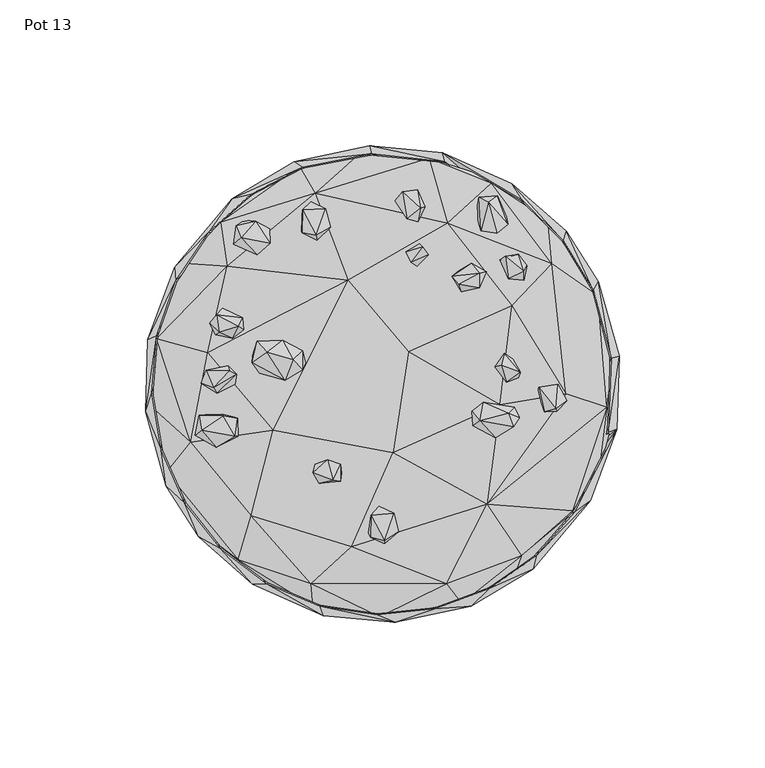
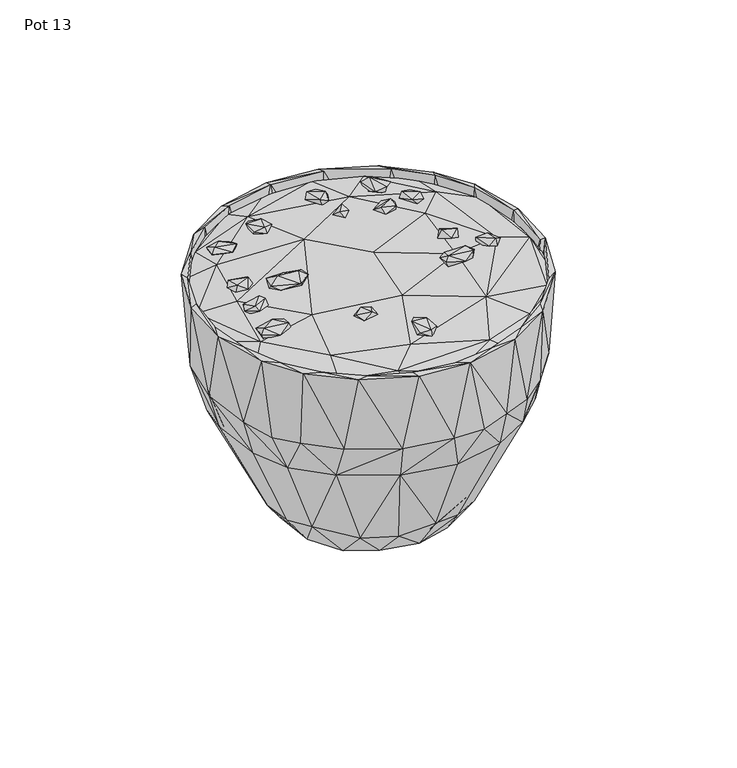
"""IFC4 building model written with IfcOpenShell, lengths in millimetres: furniture geometry, Pot 13."""

from ifc_helpers import new_model, si_unit, origin, place, context, project, spatial, triangles, source, transform, mapped, element, save


def pot_13_432720e4(model_context):
    return source(origin(), model_context, "Body", "Tessellation", [
        triangles([(-4.7759116, -50.9844425, 125.2264225), (0.6931424, -54.8188242, 124.7924736), (-4.1836203, -52.6856331, 127.0882183), (-1.1862517, -43.522507, 124.9454349), (0.8535981, -51.8610196, 123.6733105), (-3.891617, -45.0097345, 128.7604727), (0.7145405, -53.7772907, 127.7807996), (5.4999891, -50.669895, 126.1018959), (3.9100348, -44.4152077, 127.5477833), (-1.1731684, -41.9120947, 127.941046), (-19.3741013, -27.4992276, 126.4731578), (-23.223042, -27.6286461, 127.8852082), (-18.857747, -26.0830827, 129.8813345), (-14.4465859, -27.490153, 129.510763), (-21.7117675, -34.0999966, 128.6011801), (-14.0465195, -30.6324371, 127.1576999), (-64.3802727, -17.6379984, 125.8970392), (-62.1051618, -15.8201009, 127.628011), (-62.9993977, -10.7416954, 124.7079221), (-63.4265564, -17.7794993, 123.4110718), (-57.1468934, -21.7207808, 125.6662121), (-61.9142486, -13.962194, 122.0978707), (-51.8253296, -16.374499, 122.9418326), (-49.5602925, -17.9187804, 125.1219321), (-50.5190049, -17.9487909, 127.6536544), (-54.9956575, -10.023951, 123.2159892), (-49.7023759, -11.8294208, 125.8351698), (-54.8007021, -10.961756, 126.9376915), (32.1066681, -14.5334005, 126.8304761), (38.7802137, -18.4201295, 129.700141), (31.1503106, -14.4041773, 129.3271623), (44.2090339, -14.8309772, 127.4552472), (36.6465754, -10.2241341, 125.5550997), (35.0002051, -7.3944626, 126.4514749), (30.7884505, -9.296894, 128.724383), (45.3188998, -8.009702, 128.3304663), (34.7576736, -6.3169745, 128.6655657), (55.6999432, -9.5769318, 126.3992161), (53.6845911, -1.1093915, 126.65942), (53.2479898, -2.4766177, 124.0177935), (59.8642239, -9.3558135, 124.9789267), (59.5607767, -8.5410473, 128.599536), (58.9571617, -1.1684597, 123.5364638), (63.4178224, -5.6793539, 125.8533282), (60.2830664, -0.1707822, 126.3052265), (-62.2492436, 0.2626479, 126.9349755), (-59.3610842, 0.4184097, 124.5450869), (-56.8187521, -3.1768381, 127.2023011), (-60.3174847, 4.2613894, 124.9618038), (-58.0397259, -1.3272166, 129.2205646), (-60.5195618, 4.6705529, 127.4356263), (-52.9765493, 6.2163323, 125.847342), (-50.6868362, -0.0686347, 126.2876676), (-50.1287262, 3.2826513, 127.8230209), (-52.4965822, 4.6075733, 129.2967681), (44.880064, 8.560449, 126.7622844), (41.9701944, 10.4715299, 128.5435528), (47.3100256, 4.0020347, 130.6425889), (46.7154988, 2.1691621, 127.3039755), (38.5868571, 5.8678167, 127.4050958), (-36.4963256, 10.7533487, 126.6033188), (-31.7862184, 3.0996056, 128.6028879), (-44.6122887, 9.6821046, 127.2551231), (-26.4868144, 7.310644, 129.0972708), (-43.0488304, 14.6574822, 129.0648237), (-34.3536148, 14.9500515, 128.8331336), (-59.3576142, 20.7986828, 126.0749717), (-57.276414, 16.92763, 125.4121851), (-56.0517022, 17.7960772, 128.0117902), (-56.3739255, 22.5455761, 123.3861006), (-57.0350134, 23.7911123, 127.4086566), (-51.5236992, 15.7151597, 125.6580822), (-47.7073033, 18.5294672, 125.7462308), (-49.3619761, 19.8119516, 128.7538416), (-49.6730082, 23.4065269, 124.565498), (-48.0804455, 22.7734896, 126.9318779), (-54.8626487, 25.9156533, 125.3126817), (11.8284818, 40.4443609, 126.7021409), (8.0961287, 45.3093574, 126.6151186), (12.688816, 48.1661416, 125.0253174), (15.7271321, 44.288553, 126.8759493), (9.7498591, 41.8575241, 129.6286428), (26.2216326, 38.8866299, 126.5400959), (27.1849935, 31.6433992, 128.5826311), (23.8216814, 37.0527665, 128.9226994), (33.5052609, 33.991598, 127.5602735), (30.5829647, 41.4684808, 128.4517525), (35.682172, 38.4394142, 128.22425), (45.5419104, 35.9843747, 125.1407718), (49.5280316, 40.6218528, 125.4816667), (48.5303408, 35.6387267, 126.7741659), (43.2305326, 36.1305617, 127.8729451), (40.2937524, 42.618992, 125.8238151), (43.3013131, 43.6481034, 123.9294722), (48.5297458, 38.6104067, 128.7218486), (46.7048572, 44.5483755, 127.0752558), (-43.0027531, 44.4038667, 124.8884071), (-51.1498621, 48.0233133, 124.3158312), (-49.9628615, 51.2787922, 121.4011836), (-39.7630026, 47.8588929, 122.421888), (-38.5855309, 48.2289103, 125.7525985), (-48.5809464, 50.2206673, 126.1186736), (13.7470068, 47.1118227, 129.3750428), (42.1915971, 43.8113156, 128.1472743), (-50.3086752, 54.2232528, 124.2433066), (-47.3913842, 56.1937039, 122.1804692), (-43.5323265, 55.8195352, 124.2167911), (-38.8308148, 53.2008406, 123.8118649), (-27.9437613, 53.0510632, 123.385828), (-22.1752816, 51.909218, 122.8470437), (-22.5291254, 49.3203771, 124.6358063), (-24.2250861, 60.2671426, 121.7286708), (-27.6275719, 51.876462, 125.672925), (-27.4290443, 59.7307836, 125.4074615), (-22.8801373, 51.0724776, 127.2476654), (-17.8659255, 53.7435037, 125.4874894), (-19.527108, 60.1340021, 125.1127757), (33.8076952, 52.5980794, 125.4583033), (36.4513997, 62.3024108, 126.4059834), (33.1725777, 64.0461588, 124.216664), (38.322956, 52.143456, 123.3827396), (39.236009, 51.7869961, 126.7452705), (32.1839753, 58.3708603, 122.8905004), (42.6433092, 57.3844379, 123.9002498), (35.9490207, 63.2880201, 121.8497118), (43.0236139, 54.8982388, 126.1275302), (-24.576366, 62.5718166, 124.2051639), (9.2793999, 56.4471859, 124.607365), (4.3102503, 62.849157, 125.367702), (7.4607728, 65.3702468, 123.1871029), (12.1463539, 55.6326598, 126.5685371), (8.4683001, 56.6513613, 127.739414), (14.6034362, 60.8990035, 125.4893515), (13.0232876, 60.3864031, 128.2631194), (39.5454468, 64.6507458, 124.0913082), (6.865382, 65.974475, 126.815397), (12.0412413, 66.7235254, 125.937044), (-23.813933, -30.5049717, 130.0670245), (-17.0536931, -33.0335487, 131.0160582), (-14.3916304, -33.3703605, 128.9788369), (44.9521254, -14.7260872, 131.0900907), (33.4255102, -12.5860868, 131.0580796), (43.2511572, -10.1112276, 131.4584003), (46.9665509, -11.6536026, 129.0653324), (-33.4382365, 1.2736469, 130.8518967), (-44.7260899, 7.3153227, 129.888756), (-42.1619432, 3.6888345, 129.0395436), (-30.652494, 8.2915349, 132.6893844), (-39.6493831, 10.8231232, 131.7539673), (-27.4039505, 4.9527807, 131.808488), (42.5329507, 0.6740988, 129.0187691), (40.9047298, 6.4438058, 130.6792237), (-27.4299391, 11.4070844, 130.1395128), (26.2394844, 34.2679392, 131.0975848), (33.2275321, 32.9396954, 130.1187292), (33.3111276, 38.0059105, 130.9112499)], [[1, 2, 3], [1, 4, 5], [1, 5, 2], [1, 6, 4], [1, 3, 6], [2, 7, 3], [2, 8, 7], [2, 5, 8], [5, 4, 9], [5, 9, 8], [8, 9, 7], [4, 10, 9], [4, 6, 10], [11, 12, 13], [11, 13, 14], [11, 15, 12], [11, 16, 15], [11, 14, 16], [17, 18, 19], [17, 19, 20], [17, 20, 21], [17, 21, 18], [20, 19, 22], [20, 22, 23], [20, 23, 21], [21, 23, 24], [21, 25, 18], [21, 24, 25], [24, 26, 27], [24, 27, 25], [24, 23, 26], [19, 28, 26], [19, 18, 28], [19, 26, 22], [22, 26, 23], [28, 27, 26], [28, 25, 27], [28, 18, 25], [29, 30, 31], [29, 32, 30], [29, 33, 32], [29, 34, 33], [29, 35, 34], [29, 31, 35], [33, 34, 36], [33, 36, 32], [34, 35, 37], [34, 37, 36], [38, 39, 40], [38, 41, 42], [38, 40, 41], [38, 42, 39], [41, 40, 43], [41, 43, 44], [41, 44, 42], [44, 45, 42], [44, 43, 45], [46, 47, 48], [46, 49, 47], [46, 48, 50], [46, 50, 51], [46, 51, 49], [47, 49, 52], [47, 52, 53], [47, 53, 48], [53, 54, 48], [53, 52, 54], [40, 39, 43], [39, 45, 43], [39, 42, 45], [49, 51, 52], [52, 51, 55], [52, 55, 54], [56, 57, 58], [56, 58, 59], [56, 59, 60], [56, 60, 57], [61, 62, 63], [61, 64, 62], [61, 63, 65], [61, 65, 66], [61, 66, 64], [67, 68, 69], [67, 70, 68], [67, 69, 71], [67, 71, 70], [68, 72, 69], [68, 70, 72], [72, 73, 74], [72, 70, 75], [72, 75, 73], [72, 74, 69], [73, 76, 74], [73, 75, 76], [70, 77, 75], [70, 71, 77], [77, 76, 75], [77, 71, 76], [76, 71, 74], [78, 79, 80], [78, 80, 81], [78, 81, 82], [78, 82, 79], [83, 84, 85], [83, 86, 84], [83, 85, 87], [83, 88, 86], [83, 87, 88], [89, 90, 91], [89, 92, 93], [89, 93, 94], [89, 91, 92], [89, 94, 90], [91, 90, 95], [91, 95, 92], [90, 94, 96], [90, 96, 95], [97, 98, 99], [97, 99, 100], [97, 100, 101], [97, 102, 98], [97, 101, 102], [79, 103, 80], [79, 82, 103], [81, 103, 82], [81, 80, 103], [93, 92, 104], [93, 104, 96], [93, 96, 94], [98, 102, 105], [98, 105, 99], [99, 105, 106], [99, 106, 100], [102, 107, 105], [102, 101, 107], [100, 108, 101], [100, 106, 108], [108, 107, 101], [108, 106, 107], [109, 110, 111], [109, 112, 110], [109, 111, 113], [109, 114, 112], [109, 113, 114], [113, 111, 115], [113, 115, 114], [111, 110, 116], [111, 116, 115], [110, 112, 117], [110, 117, 116], [116, 117, 115], [118, 119, 120], [118, 121, 122], [118, 123, 121], [118, 120, 123], [118, 122, 119], [121, 124, 122], [121, 123, 125], [121, 125, 124], [122, 124, 126], [122, 126, 119], [105, 107, 106], [114, 117, 127], [114, 115, 117], [114, 127, 112], [112, 127, 117], [128, 129, 130], [128, 131, 132], [128, 133, 131], [128, 132, 129], [128, 130, 133], [131, 134, 132], [131, 133, 134], [123, 120, 125], [124, 135, 126], [124, 125, 135], [126, 135, 119], [129, 132, 136], [129, 136, 130], [136, 132, 134], [136, 134, 137], [136, 137, 130], [130, 137, 133], [137, 134, 133], [120, 135, 125], [120, 119, 135], [3, 7, 6], [7, 9, 6], [6, 9, 10], [138, 12, 15], [138, 15, 139], [138, 139, 13], [138, 13, 12], [15, 140, 139], [15, 16, 140], [139, 140, 14], [139, 14, 13], [140, 16, 14], [30, 32, 141], [30, 142, 31], [30, 141, 142], [31, 142, 35], [142, 141, 143], [142, 143, 37], [142, 37, 35], [143, 141, 144], [143, 36, 37], [143, 144, 36], [32, 36, 144], [32, 144, 141], [50, 48, 54], [50, 54, 55], [50, 55, 51], [145, 146, 147], [145, 148, 149], [145, 150, 148], [145, 149, 146], [145, 147, 62], [145, 62, 150], [151, 152, 60], [151, 59, 58], [151, 58, 152], [151, 60, 59], [146, 149, 65], [146, 63, 147], [146, 65, 63], [147, 63, 62], [62, 64, 150], [148, 150, 153], [148, 66, 149], [148, 153, 66], [150, 64, 153], [64, 66, 153], [60, 152, 57], [152, 58, 57], [65, 149, 66], [69, 74, 71], [154, 155, 156], [154, 84, 155], [154, 156, 85], [154, 85, 84], [84, 86, 155], [155, 88, 156], [155, 86, 88], [85, 156, 87], [156, 88, 87], [92, 95, 104], [95, 96, 104]]),
        triangles([(-24.4455646, -68.5578883, 123.6959109), (-23.8205187, -76.3289892, 121.8101702), (-1.0045171, -79.9296688, 121.8062551), (21.9387999, -68.4956011, 123.9018576), (-10.6487277, -55.8788794, 125.4324055), (-49.5413256, -60.2985451, 122.5608511), (-45.0553758, -45.2238748, 124.8956287), (-45.0530958, -66.021279, 120.6473597), (-16.630948, -76.7102977, 119.822946), (11.1766161, -75.9061271, 119.4929879), (-24.708421, -62.0606378, 117.9487598), (27.079999, -75.2181695, 121.8773536), (39.1882057, -67.5302167, 119.7878464), (11.7475092, -53.9789635, 116.9509556), (47.656775, -58.8891653, 123.1417023), (35.834402, -41.3411993, 125.5040945), (44.939667, -66.6215421, 121.2313538), (50.4503544, -48.1984298, 118.2790903), (65.4534675, -44.2177634, 120.3190003), (-62.5006999, -50.4642571, 120.9260036), (-65.8617911, -19.9875972, 124.2340503), (-74.0383405, -30.317113, 121.7115843), (-50.1127842, -44.6286667, 118.0312221), (-25.9764486, -36.6616998, 116.3050647), (3.5884679, -23.5941403, 126.8225187), (-37.4843036, -15.943214, 126.2916191), (3.6540926, -21.7494378, 115.5895288), (40.8946877, -31.7050211, 116.6629281), (65.2495329, -43.4886972, 122.6579837), (-72.7729063, -28.7022133, 119.7612219), (-76.2825713, -7.7684075, 119.4429637), (-40.9439943, -8.1611576, 116.2299422), (77.1426841, -7.9993011, 122.7252579), (40.3779723, -7.0867688, 126.3504363), (62.9819614, -3.3322721, 124.8911504), (65.3962808, -14.1700358, 117.9576801), (74.0757565, -31.1423101, 121.2313538), (78.6699346, -13.741359, 120.5013202), (-79.932403, -7.2295068, 121.5895987), (31.9460629, 1.0530352, 115.8564457), (-59.9887075, 10.6606116, 125.1232311), (-77.6033845, 15.4369847, 122.1483309), (8.9203415, 11.086561, 126.972882), (-11.7451849, 35.6770147, 126.436087), (-15.0968131, 23.9698737, 115.7715127), (59.9681419, 17.2545984, 117.4523875), (79.1840566, 7.1238651, 120.4212198), (-73.5399425, 24.6682027, 119.7479959), (-58.6166074, 19.1662538, 117.3950055), (44.4175014, 26.9210925, 125.8173838), (58.1562204, 41.2172516, 123.9051732), (74.0579069, 30.3130525, 121.6887841), (-53.2925274, 40.4247718, 124.4565839), (22.2921077, 55.1414653, 125.2274943), (17.0387027, 37.1955494, 116.1781194), (72.6699239, 28.6660578, 119.7357056), (-68.5045259, 41.406021, 121.5453608), (-54.1218963, 55.976943, 119.6755712), (-44.3286896, 45.936949, 117.5670698), (-10.4900892, 67.6026641, 118.1917592), (45.9368808, 44.3286805, 117.5670698), (-23.1038042, 65.3796031, 124.188032), (27.9273401, 62.5159425, 118.147158), (56.3877509, 54.4904603, 119.8046695), (56.8319553, 56.1743101, 121.8424175), (-55.6022974, 55.466727, 122.6290883), (-44.1090763, 67.1670439, 121.2313538), (-28.5850171, 72.4393783, 119.6785234), (37.4532939, 68.8949226, 122.7510467), (-28.4904848, 74.4782664, 122.0913213), (15.9159003, 77.3920421, 122.327308), (-7.2115959, 79.6706639, 121.4522796), (16.6568162, 76.8121356, 119.8475629), (38.3654544, 70.4202883, 120.8247289)], [[1, 2, 3], [1, 3, 4], [1, 4, 5], [1, 6, 2], [1, 5, 7], [1, 7, 6], [2, 8, 9], [2, 6, 8], [2, 9, 3], [9, 10, 3], [9, 8, 11], [9, 11, 10], [3, 10, 12], [3, 12, 4], [10, 13, 12], [10, 11, 14], [10, 14, 13], [4, 12, 15], [4, 15, 16], [4, 16, 5], [12, 13, 17], [12, 17, 15], [13, 14, 18], [13, 18, 19], [13, 19, 17], [6, 20, 8], [6, 7, 21], [6, 22, 20], [6, 21, 22], [8, 20, 23], [8, 23, 11], [11, 23, 24], [11, 24, 14], [5, 16, 25], [5, 26, 7], [5, 25, 26], [14, 24, 27], [14, 28, 18], [14, 27, 28], [17, 19, 15], [15, 29, 16], [15, 19, 29], [20, 22, 30], [20, 30, 23], [23, 30, 31], [23, 31, 32], [23, 32, 24], [7, 26, 21], [16, 29, 33], [16, 34, 25], [16, 35, 34], [16, 33, 35], [18, 28, 36], [18, 36, 19], [29, 37, 33], [29, 19, 37], [19, 36, 38], [19, 38, 37], [22, 21, 39], [22, 39, 30], [30, 39, 31], [24, 32, 27], [28, 27, 40], [28, 40, 36], [37, 38, 33], [21, 26, 41], [21, 41, 42], [21, 42, 39], [26, 25, 43], [26, 43, 44], [26, 44, 41], [25, 34, 43], [27, 32, 45], [27, 45, 40], [36, 40, 46], [36, 47, 38], [36, 46, 47], [38, 47, 33], [39, 42, 31], [31, 42, 48], [31, 48, 49], [31, 49, 32], [32, 49, 45], [34, 35, 50], [34, 50, 43], [35, 33, 51], [35, 51, 50], [33, 47, 52], [33, 52, 51], [41, 44, 53], [41, 53, 42], [43, 50, 54], [43, 54, 44], [40, 45, 55], [40, 55, 46], [47, 56, 52], [47, 46, 56], [42, 57, 48], [42, 53, 57], [48, 57, 58], [48, 58, 49], [49, 59, 45], [49, 58, 59], [45, 59, 60], [45, 60, 55], [46, 55, 61], [46, 61, 56], [44, 62, 53], [44, 54, 62], [55, 63, 61], [55, 60, 63], [50, 51, 54], [56, 61, 64], [56, 64, 52], [52, 64, 65], [52, 65, 51], [57, 66, 67], [57, 67, 58], [57, 53, 66], [53, 62, 66], [59, 58, 68], [59, 68, 60], [61, 63, 64], [51, 65, 69], [51, 69, 54], [66, 62, 70], [66, 70, 67], [58, 67, 68], [62, 54, 71], [62, 72, 70], [62, 71, 72], [54, 69, 71], [63, 60, 73], [63, 73, 74], [63, 74, 64], [64, 74, 65], [65, 74, 69], [67, 70, 68], [68, 70, 72], [68, 72, 60], [60, 72, 73], [72, 71, 73], [71, 69, 74], [71, 74, 73]]),
        triangles([(-48.394071, -62.8960292, 86.7004219), (-63.1478443, -52.4487335, 125.886275), (-62.4233654, -48.8689103, 86.1952111), (-36.3144872, -64.6338773, 80.1879742), (-51.2472262, -53.572593, 80.1888463), (-39.7558491, -68.5924157, 126.4272667), (-21.4496559, -76.3243565, 126.4271395), (26.6540939, -69.1798616, 80.1888917), (17.9742878, -77.2164623, 126.427085), (36.6126294, -70.3205033, 126.4271032), (43.0203665, -60.3782686, 80.1887918), (41.4000756, -67.5094558, 84.7440552), (52.6922052, -59.2314591, 86.1952838), (51.5959558, -63.5898413, 125.8864294), (30.3725011, -76.2640858, 125.8869926), (52.9499657, -59.0063774, 126.427085), (58.5404629, -45.1938938, 80.1883285), (65.8109176, -44.3485376, 86.6999223), (-74.2069803, -35.1003557, 125.8870834), (-69.9757024, -37.0794977, 84.7432285), (-62.9601014, -39.1450534, 80.188819), (-55.5654174, -56.5504, 126.4272667), (65.9600773, -43.9852467, 126.4271395), (80.5106744, -15.5462622, 125.8974389), (70.2938743, -23.5594949, 80.1884648), (74.7093842, -26.5204606, 86.1962467), (71.3855637, -40.1226146, 125.8861296), (-76.0300022, -22.4571072, 86.19661), (-70.7170952, -22.2578052, 80.1891097), (-67.8827751, -40.9561393, 126.4272667), (-81.3357058, -9.4989836, 125.8862023), (-78.9424016, 2.5907456, 86.1358307), (-74.0306239, -3.9714872, 80.1888735), (-75.9354813, -22.7875103, 126.4272667), (77.5204045, -16.6150775, 126.4271758), (73.944569, -5.3383409, 80.1892914), (78.4063606, -11.1327473, 84.745336), (79.2262233, 2.843231, 86.1974094), (-80.6649164, 15.2235995, 125.8861569), (-74.7095932, 26.5203562, 86.1965101), (-72.6926605, 14.563814, 80.1897274), (-79.2168126, -3.1867922, 126.4272485), (78.5576958, 8.7461918, 126.4272667), (72.9489312, 13.2185518, 80.1883921), (76.0297161, 22.457198, 86.1964919), (81.3355786, 9.4987082, 125.8862023), (-66.7868573, 32.1840502, 80.1887736), (-77.5206134, 16.6146381, 126.4271758), (72.4807957, 32.1245267, 126.4272758), (67.3698477, 30.9449589, 80.1891279), (-71.3856818, 40.1226191, 125.8861296), (-63.1615517, 47.5390541, 86.1200976), (62.2144029, 49.1407868, 126.4273121), (57.5574924, 46.7270397, 80.1887918), (68.055598, 40.6602453, 86.194112), (74.2068895, 35.1002512, 125.8870834), (-52.4145968, 52.174686, 80.1883739), (-70.9532954, 35.3705291, 126.4272031), (51.2892885, 60.0927982, 85.6871117), (63.1476626, 52.4486291, 125.8863022), (-51.5958832, 63.589973, 125.8864567), (-44.8522586, 65.3690932, 86.1946388), (-59.9275512, 51.9051348, 126.4271032), (-45.1373157, 65.177308, 126.4271032), (-35.1141993, 65.2938116, 80.1885374), (48.0397957, 63.0683161, 126.4272667), (41.4289256, 61.2626668, 80.1880923), (-30.3726941, 76.263995, 125.8869926), (-32.6126374, 72.1658758, 84.7435555), (-17.7733599, 71.9749717, 80.1885102), (-27.5106277, 74.354732, 126.427085), (21.4496264, 76.3242203, 126.4271395), (19.0993248, 71.6344992, 80.1887282), (20.5708147, 79.3756873, 125.8974389), (32.9569886, 71.5786387, 83.8556555), (44.5253573, 68.7256606, 125.8862023), (-17.6389215, 77.2899135, 86.1966736), (0.6846487, 74.1338561, 80.1890189), (-3.796488, 78.951876, 126.4271304), (-4.3728648, 81.7715349, 125.8861115), (7.5423715, 78.6239164, 86.1364484), (-20.2593216, -79.5496411, 125.8860842), (4.3726565, -81.7716258, 125.8860661), (-1.7937123, -79.2605599, 126.4271304), (-44.5253981, -68.7257651, 125.8862023), (-22.3990688, -33.5288037, 10.2748679), (-5.6400894, -34.9112457, 6.345988), (-25.7949826, -14.9293985, 4.7849545), (-35.7813824, -18.5900774, 10.2748679), (-3.1897126, -44.2063815, 14.6100298), (-26.2537005, -43.493716, 25.8060193), (-10.6982887, -51.0065841, 27.7480792), (-17.583639, -40.3865883, 8.2243981), (-13.3038459, -49.8285583, 20.0082173), (-28.5658095, -42.5011076, 19.5955313), (-28.8663499, -28.1535981, 4.2989827), (1.7031133, -41.7249513, 5.9758071), (-8.1984401, -31.8421879, 0.6814735), (18.6937456, -36.9068974, 5.3988449), (-31.20762, -6.8547875, 0.1783666), (24.426491, -19.993245, 0.1697517), (9.3625786, -37.9024308, 8.8082429), (14.5451128, -25.8623817, 4.6745977), (3.4537017, -52.9622287, 22.9276589), (17.635405, -48.4472064, 19.7129115), (23.8025488, -44.5057772, 24.4553228), (25.603831, -31.0033265, 10.1610713), (10.2386476, -50.7858854, 27.187705), (33.0693432, -25.0825874, 5.6958579), (29.1302804, -42.5389278, 19.7128661), (-44.7732936, -28.6476473, 23.059966), (-38.9878137, -14.1347647, 5.6840156), (32.9837493, -15.7200842, 7.1640976), (-0.4291534, -7.1705283, 6.1196977), (27.9443267, 7.63727, 4.6894545), (3.8288236, 6.9200474, 2.385401), (40.9747655, -6.3963381, 5.6842052), (31.6394864, 7.3480605, 0.2013872), (37.9319484, -32.5521986, 24.2740316), (49.8774652, -12.4530042, 19.7845391), (39.4214991, -33.2545336, 20.0090939), (-40.9749608, 6.3963381, 5.6842529), (-49.4587271, -14.5594629, 19.7128661), (-51.4075589, -0.3421903, 19.7844891), (-40.3113203, 0.9477884, 10.2748929), (-42.0196372, -29.9406802, 26.7502908), (-48.1449537, -18.5485181, 26.7482969), (-19.4599632, 24.4359222, 0.182947), (11.3653242, 30.4870608, 0.2020042), (-26.2851711, 16.3201396, 4.8158778), (49.7190946, -13.8203796, 26.978311), (39.7769234, 2.8463305, 9.6517228), (38.8586519, 10.7645092, 4.2988638), (51.5256204, 1.8015056, 19.7130341), (-51.2444965, -5.9918462, 26.7467527), (-51.3367193, 8.8649539, 27.7945017), (-30.1468971, 24.2435942, 8.4668501), (-42.4703819, 16.6023444, 16.543308), (33.4853539, 21.6574512, 9.651842), (49.3320224, 8.820288, 24.5257627), (-46.4532692, 22.4061019, 20.0093096), (-33.4267319, 25.0543664, 5.9676437), (-10.8644963, 31.6287289, 5.7514397), (18.349081, 31.5564359, 7.2506504), (31.481713, 26.8794299, 5.5721634), (49.2004171, 15.4660266, 20.0084785), (-26.9999803, 43.8664494, 19.8942776), (-14.0627329, 38.1751862, 5.0560044), (-38.794398, 33.9583833, 19.7136018), (-18.7434848, 37.9021469, 12.2629222), (-40.8880838, 29.1200657, 24.1950461), (15.5936782, 37.3114421, 4.6855862), (37.2407433, 35.4401015, 19.7851091), (42.7964339, 26.8343086, 24.5292009), (33.2552489, 39.4469745, 26.7482969), (1.4652014, 39.5279697, 9.3263731), (-1.8317104, 50.5527873, 24.8894646), (-23.6664106, 44.1273528, 24.4554159), (1.4367402, 51.5370659, 19.7128661), (12.1615226, 47.839649, 16.4556169), (-11.4251372, 50.2755105, 19.7133884), (15.806884, 47.8562858, 24.917681), (26.0876109, 44.470387, 19.7138176), (-24.6005946, -70.5137237, 68.9430165), (2.464056, -74.1881451, 67.6739125), (26.6416969, -69.4872284, 67.6731086), (21.0212777, -65.4456601, 62.5550207), (39.0540342, -56.6705007, 62.3323327), (-48.8294959, -56.5064392, 68.9418538), (43.0855741, -60.6785546, 67.673154), (51.9191329, -45.17807, 62.3292033), (61.3481994, -30.6594226, 61.7938163), (64.816983, -39.3551014, 71.5169555), (56.8217951, -48.0572592, 67.6726317), (-63.2643842, -39.1902632, 67.6730586), (-71.0231948, -22.2258418, 67.6734447), (-74.6711053, 0.658527, 69.0420067), (71.3186846, -20.5823919, 67.6747255), (-68.5503942, 22.1592556, 62.6680544), (74.3193917, 3.8656519, 67.6742032), (-61.3486036, 30.6595498, 61.7946702), (62.9108856, 38.9357275, 66.7423151), (71.0230449, 22.2258713, 67.6734901), (68.5214988, -7.3816778, 62.8160967), (66.5625023, 14.9821864, 61.2683987), (60.084373, 32.8781076, 61.7748767), (-59.4611326, 45.1847965, 68.9418538), (-51.9190602, 45.1781063, 62.3289853), (52.0173327, 43.8660225, 60.8745819), (-43.0852789, 60.6785137, 67.672609), (-20.8360556, 71.2444613, 67.6733493), (48.9881027, 55.7676852, 67.6729905), (-15.4517889, 67.0675178, 62.3344446), (-36.6364561, 58.1611029, 62.5524092), (5.3462086, 74.4823223, 69.0421248), (3.0881464, 68.859605, 62.8617335), (28.146565, 68.8924246, 67.675484), (26.7376894, 63.1610611, 61.8024095), (-26.7380777, -63.1608386, 61.8019553), (-3.0885041, -68.859546, 62.8614564), (-41.8556801, -54.6444344, 62.3512723), (-60.0846864, -32.8783688, 61.7755898), (-53.661423, -44.670461, 64.7915212), (-66.5626522, -14.9821932, 61.268326), (-68.5215306, 7.3818566, 62.8159332), (41.8549761, 54.6443708, 62.3505592), (-19.0993543, -71.6345174, 80.1881287), (2.4930238, -73.914034, 80.1887736), (-2.1368265, -79.2483877, 86.1966282), (-25.6917185, -74.7614341, 86.1190076), (13.6410301, -78.0092918, 84.7459264), (27.1859473, -74.4700411, 86.1958924)], [[1, 2, 3], [4, 5, 6], [4, 6, 7], [8, 9, 10], [8, 10, 11], [12, 13, 14], [12, 14, 15], [11, 10, 16], [11, 16, 17], [13, 18, 14], [3, 2, 19], [3, 19, 20], [5, 21, 22], [5, 22, 6], [17, 16, 23], [17, 23, 24], [17, 24, 25], [18, 26, 27], [18, 27, 14], [20, 19, 28], [21, 29, 30], [21, 30, 22], [28, 19, 31], [28, 31, 32], [29, 33, 34], [29, 34, 30], [25, 35, 36], [25, 24, 35], [26, 37, 24], [26, 24, 27], [37, 38, 24], [32, 31, 39], [32, 39, 40], [33, 41, 42], [33, 42, 34], [36, 35, 43], [36, 43, 44], [38, 45, 46], [38, 46, 24], [41, 47, 48], [41, 48, 42], [44, 43, 49], [44, 49, 50], [40, 39, 51], [40, 51, 52], [50, 49, 53], [50, 53, 54], [45, 55, 56], [45, 56, 46], [47, 57, 58], [47, 58, 48], [55, 59, 60], [55, 60, 56], [52, 51, 61], [52, 61, 62], [57, 63, 58], [57, 64, 63], [57, 65, 64], [54, 53, 66], [54, 66, 67], [62, 61, 68], [62, 68, 69], [65, 70, 71], [65, 71, 64], [67, 72, 73], [67, 66, 74], [67, 74, 72], [59, 75, 76], [59, 76, 60], [69, 68, 77], [70, 78, 79], [70, 79, 71], [77, 68, 80], [77, 80, 81], [78, 73, 79], [81, 80, 74], [81, 74, 75], [73, 72, 79], [75, 74, 76], [7, 82, 83], [7, 83, 84], [7, 6, 82], [82, 6, 85], [84, 83, 9], [83, 15, 9], [9, 15, 10], [15, 14, 10], [10, 14, 16], [85, 6, 22], [85, 22, 2], [14, 27, 16], [16, 27, 23], [2, 22, 30], [2, 30, 19], [19, 30, 34], [19, 34, 31], [23, 27, 24], [34, 42, 31], [31, 42, 48], [31, 48, 39], [35, 24, 46], [35, 46, 43], [39, 48, 58], [39, 58, 51], [43, 46, 56], [43, 56, 49], [51, 58, 63], [51, 63, 61], [49, 56, 60], [49, 60, 53], [63, 64, 61], [53, 60, 76], [53, 76, 66], [61, 64, 71], [61, 71, 68], [76, 74, 66], [68, 71, 79], [68, 79, 80], [80, 79, 72], [80, 72, 74], [86, 87, 88], [86, 88, 89], [86, 90, 87], [86, 89, 91], [86, 91, 92], [86, 92, 90], [93, 94, 95], [93, 95, 96], [93, 97, 94], [93, 98, 97], [93, 96, 98], [98, 99, 97], [98, 96, 100], [98, 101, 99], [98, 100, 101], [87, 102, 103], [87, 103, 88], [87, 90, 102], [97, 104, 94], [97, 105, 104], [97, 99, 105], [102, 106, 107], [102, 108, 106], [102, 90, 108], [102, 107, 103], [99, 101, 109], [99, 110, 105], [99, 109, 110], [96, 95, 111], [96, 111, 112], [96, 112, 100], [103, 107, 113], [103, 114, 88], [103, 113, 115], [103, 115, 114], [101, 100, 116], [101, 117, 109], [101, 116, 118], [101, 118, 117], [107, 119, 113], [107, 106, 119], [109, 117, 120], [109, 120, 121], [109, 121, 110], [112, 122, 100], [112, 111, 123], [112, 123, 124], [112, 124, 122], [89, 88, 125], [89, 126, 91], [89, 127, 126], [89, 125, 127], [100, 122, 128], [100, 128, 129], [100, 129, 116], [88, 114, 130], [88, 130, 125], [114, 115, 130], [113, 131, 132], [113, 119, 131], [113, 132, 115], [117, 118, 133], [117, 134, 120], [117, 133, 134], [125, 135, 127], [125, 136, 135], [125, 130, 137], [125, 137, 138], [125, 138, 136], [132, 139, 115], [132, 131, 140], [132, 140, 139], [122, 124, 141], [122, 141, 142], [122, 142, 128], [130, 115, 143], [130, 143, 137], [116, 129, 118], [115, 139, 144], [115, 144, 143], [118, 129, 145], [118, 145, 133], [133, 146, 134], [133, 145, 146], [142, 147, 148], [142, 149, 147], [142, 148, 128], [142, 141, 149], [137, 143, 150], [137, 151, 138], [137, 150, 151], [128, 148, 129], [129, 148, 152], [129, 152, 145], [145, 152, 153], [145, 153, 146], [139, 140, 154], [139, 155, 144], [139, 154, 155], [150, 156, 157], [150, 157, 158], [150, 143, 156], [150, 158, 151], [148, 159, 160], [148, 161, 159], [148, 160, 152], [148, 147, 161], [143, 144, 156], [156, 144, 162], [156, 162, 157], [152, 163, 153], [152, 160, 163], [144, 155, 162], [94, 104, 164], [94, 164, 95], [90, 92, 108], [104, 105, 165], [104, 165, 164], [105, 110, 166], [105, 166, 165], [106, 108, 167], [106, 167, 168], [106, 168, 119], [95, 169, 111], [95, 164, 169], [110, 121, 170], [110, 170, 166], [119, 171, 172], [119, 168, 171], [119, 172, 131], [121, 120, 173], [121, 174, 170], [121, 173, 174], [111, 169, 175], [111, 175, 176], [111, 176, 123], [123, 176, 177], [123, 177, 124], [120, 134, 178], [120, 178, 173], [124, 179, 141], [124, 177, 179], [134, 146, 180], [134, 180, 178], [138, 151, 181], [138, 181, 136], [146, 153, 182], [146, 183, 180], [146, 182, 183], [140, 131, 184], [140, 184, 185], [140, 185, 186], [140, 186, 154], [141, 179, 187], [141, 187, 149], [151, 158, 188], [151, 188, 181], [154, 189, 155], [154, 186, 189], [149, 187, 190], [149, 190, 147], [147, 190, 191], [147, 191, 161], [153, 163, 192], [153, 192, 182], [158, 157, 193], [158, 194, 188], [158, 193, 194], [161, 191, 195], [161, 195, 159], [157, 162, 196], [157, 196, 193], [159, 195, 160], [160, 197, 163], [160, 195, 197], [162, 155, 198], [162, 198, 196], [163, 197, 192], [92, 91, 199], [92, 199, 200], [92, 200, 108], [108, 200, 167], [91, 126, 201], [91, 201, 199], [126, 202, 203], [126, 127, 202], [126, 203, 201], [127, 135, 204], [127, 204, 202], [131, 172, 184], [135, 136, 204], [136, 205, 204], [136, 181, 205], [155, 206, 198], [155, 189, 206], [199, 201, 4], [199, 207, 200], [199, 4, 207], [200, 207, 208], [200, 208, 167], [167, 208, 8], [167, 8, 11], [167, 11, 168], [168, 11, 17], [168, 17, 171], [201, 203, 5], [201, 5, 4], [171, 17, 172], [202, 204, 29], [202, 21, 203], [202, 29, 21], [172, 17, 25], [172, 25, 184], [204, 205, 33], [204, 33, 29], [184, 25, 36], [184, 36, 44], [184, 44, 185], [205, 181, 41], [205, 41, 33], [185, 44, 50], [185, 50, 186], [179, 177, 40], [179, 40, 187], [181, 188, 47], [181, 47, 41], [189, 186, 54], [189, 67, 206], [189, 54, 67], [186, 50, 54], [188, 57, 47], [188, 194, 57], [206, 67, 198], [194, 193, 65], [194, 65, 57], [193, 196, 70], [193, 70, 65], [196, 198, 73], [196, 78, 70], [196, 73, 78], [198, 67, 73], [164, 165, 209], [164, 210, 169], [164, 209, 210], [165, 166, 211], [165, 211, 209], [166, 170, 212], [166, 212, 211], [170, 174, 13], [170, 12, 212], [170, 13, 12], [203, 21, 5], [169, 3, 175], [169, 210, 1], [169, 1, 3], [174, 173, 13], [175, 3, 20], [175, 20, 28], [175, 28, 176], [173, 178, 26], [173, 18, 13], [173, 26, 18], [176, 28, 32], [176, 32, 177], [178, 180, 37], [178, 37, 26], [177, 32, 40], [180, 183, 38], [180, 38, 37], [183, 182, 45], [183, 45, 38], [182, 192, 55], [182, 55, 45], [187, 40, 52], [187, 52, 62], [187, 62, 190], [192, 197, 75], [192, 75, 59], [192, 59, 55], [190, 62, 69], [190, 69, 191], [197, 195, 75], [191, 69, 77], [191, 77, 81], [191, 81, 195], [195, 81, 75], [210, 209, 82], [210, 82, 85], [210, 85, 1], [207, 4, 7], [207, 7, 84], [207, 84, 208], [209, 211, 83], [209, 83, 82], [208, 84, 9], [208, 9, 8], [211, 212, 83], [212, 12, 15], [212, 15, 83], [1, 85, 2]]),
    ])


if __name__ == "__main__":
    model = new_model("IFC4")
    model_context = context("Model", 3, world=origin())
    ifc_project = project(units=[si_unit("LENGTHUNIT", "METRE", prefix="MILLI")], contexts=[model_context])
    site = spatial("IfcSite", under=ifc_project)
    building = spatial("IfcBuilding", under=site)
    placement = place(None, origin())
    pot_13_shape = pot_13_432720e4(model_context)
    element("IfcFurniture", 1, ObjectType="Pot 13", at=placement, inside=building, context=model_context, shape_type="MappedRepresentation", body=[
        mapped(pot_13_shape, transform((0.0, 0.0, 0.0), x_axis=(1.0, 0.0, 0.0), y_axis=(0.0, 1.0, 0.0), z_axis=(0.0, 0.0, 1.0))),
    ])
    save(model, "model.ifc")
